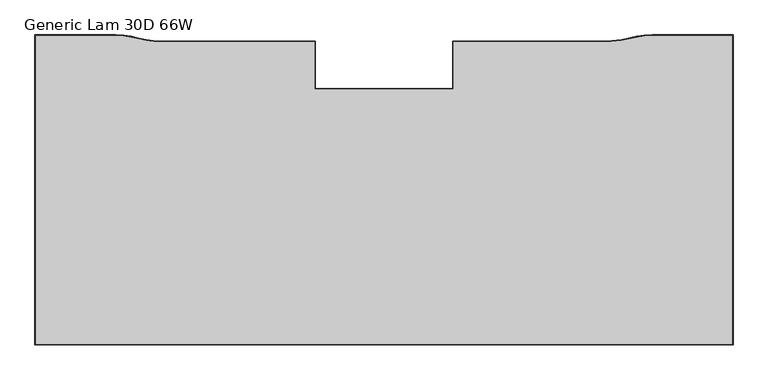
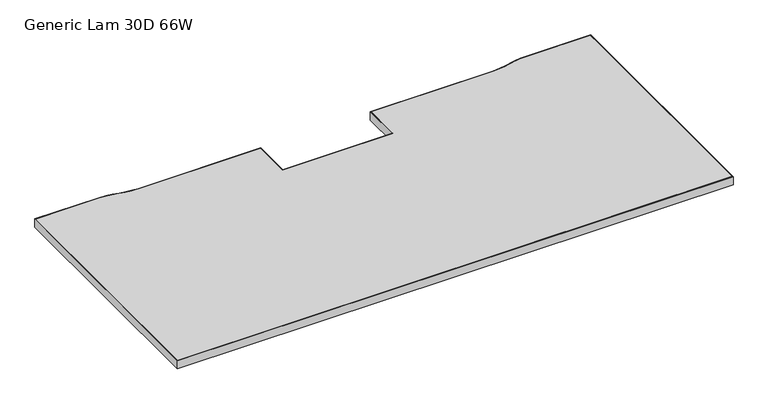
"""IFC4 building model written with IfcOpenShell, lengths in millimetres: furniture geometry, Generic Lam 30D 66W."""

from ifc_helpers import new_model, si_unit, frame, origin, place, context, project, spatial, polyline, outline, extrude, faceted_brep, source, transform, mapped, element, save


def generic_lam_30d_66w_8f7ad2f2(model_context):
    return source(origin(), model_context, "Body", "SolidModel", [
        extrude(outline(polyline([(670.1535937, -145.6435971), (1003.0460063, -145.6435971), (1003.0460063, -31.5975991), (1371.0555858, -31.5975991), (1407.0667599, -28.3288692), (1442.7386377, -20.0126083), (1461.0902792, -17.4446442), (1479.6007772, -16.5862005), (1671.7518029, -16.5862005), (1671.7518029, -757.2248121), (1.6002, -757.2248121), (1.6002, -16.5862005), (193.5988046, -16.5862005), (212.109339, -17.4446442), (230.4609804, -20.0126083), (248.4961805, -24.2680456), (266.1328583, -28.3288692), (284.0644309, -30.7787401), (302.1440323, -31.5975991), (670.1535937, -31.5975991), (670.1535937, -145.6435971)])), frame((0.0, 0.0, 697.23), z_axis=(0.0, 0.0, 1.0), x_axis=(1.0, 0.0, 0.0)), (0.0, 0.0, 1.0), 26.67),
        faceted_brep([(1479.6007772, -14.9842806, 723.9), (1479.6007772, -14.9842806, 697.23), (1461.0161479, -15.8461622, 697.23), (1461.0161479, -15.8461622, 723.9), (1479.6007772, -16.5862005, 697.23), (1479.6007772, -16.5862005, 723.9), (1461.0902792, -17.4446442, 723.9), (1461.0902792, -17.4446442, 697.23), (1442.5168806, -18.4278485, 697.23), (1442.5168806, -18.4278485, 723.9), (1442.7386377, -20.0126083, 723.9), (1442.7386377, -20.0126083, 697.23), (1406.8115522, -26.7452557, 697.23), (1406.8115522, -26.7452557, 723.9), (1407.0667599, -28.3288692, 723.9), (1407.0667599, -28.3288692, 697.23), (1370.9109306, -30.0039508, 697.23), (1370.9109306, -30.0039508, 723.9), (1371.0555858, -31.5975991, 723.9), (1371.0555858, -31.5975991, 697.23), (1001.4458063, -29.9973991, 697.23), (1001.4458063, -29.9973991, 723.9), (1003.0460063, -31.5975991, 723.9), (1003.0460063, -31.5975991, 697.23), (1001.4458063, -144.0433971, 697.23), (1001.4458063, -144.0433971, 723.9), (1003.0460063, -145.6435971, 723.9), (1003.0460063, -145.6435971, 697.23), (671.7537937, -144.0433971, 697.23), (671.7537937, -144.0433971, 723.9), (670.1535937, -145.6435971, 723.9), (670.1535937, -145.6435971, 697.23), (671.7537937, -29.9973991, 697.23), (671.7537937, -29.9973991, 723.9), (670.1535937, -31.5975991, 723.9), (670.1535937, -31.5975991, 697.23), (302.1440323, -29.9973991, 697.23), (302.1440323, -29.9973991, 723.9), (302.1440323, -31.5975991, 723.9), (302.1440323, -31.5975991, 697.23), (284.1368328, -29.1801789, 697.23), (284.1368328, -29.1801789, 723.9), (284.0644309, -30.7787401, 723.9), (284.0644309, -30.7787401, 697.23), (266.3494707, -26.7433979, 697.23), (266.3494707, -26.7433979, 723.9), (266.1328583, -28.3288692, 723.9), (266.1328583, -28.3288692, 697.23), (248.8552301, -22.7086472, 697.23), (248.8552301, -22.7086472, 723.9), (248.4961805, -24.2680456, 723.9), (248.4961805, -24.2680456, 697.23), (230.8284596, -18.4551748, 697.23), (230.8284596, -18.4551748, 723.9), (230.4609804, -20.0126083, 723.9), (230.4609804, -20.0126083, 697.23), (212.3310961, -15.8598843, 697.23), (212.3310961, -15.8598843, 723.9), (212.109339, -17.4446442, 723.9), (212.109339, -17.4446442, 697.23), (193.6729357, -14.9877185, 697.23), (193.6729357, -14.9877185, 723.9), (193.5988046, -16.5862005, 723.9), (193.5988046, -16.5862005, 697.23), (0.0, -14.9860005, 697.23), (0.0, -14.9860005, 723.9), (1.6002, -16.5862005, 723.9), (1.6002, -16.5862005, 697.23), (0.0, -758.8250121, 697.23), (0.0, -758.8250121, 723.9), (1.6002, -757.2248121, 723.9), (1.6002, -757.2248121, 697.23), (1673.3520029, -758.8250121, 697.23), (1673.3520029, -758.8250121, 723.9), (1671.7518029, -757.2248121, 723.9), (1671.7518029, -757.2248121, 697.23), (1673.3520029, -14.9860005, 697.23), (1673.3520029, -14.9860005, 723.9), (1671.7518029, -16.5862005, 723.9), (1671.7518029, -16.5862005, 697.23)], [[[0, 1, 2, 3]], [[4, 5, 6, 7]], [[3, 2, 8, 9]], [[7, 6, 10, 11]], [[9, 8, 12, 13]], [[11, 10, 14, 15]], [[13, 12, 16, 17]], [[15, 14, 18, 19]], [[17, 16, 20, 21]], [[19, 18, 22, 23]], [[21, 20, 24, 25]], [[23, 22, 26, 27]], [[25, 24, 28, 29]], [[27, 26, 30, 31]], [[29, 28, 32, 33]], [[31, 30, 34, 35]], [[33, 32, 36, 37]], [[35, 34, 38, 39]], [[37, 36, 40, 41]], [[39, 38, 42, 43]], [[41, 40, 44, 45]], [[43, 42, 46, 47]], [[45, 44, 48, 49]], [[47, 46, 50, 51]], [[49, 48, 52, 53]], [[51, 50, 54, 55]], [[53, 52, 56, 57]], [[55, 54, 58, 59]], [[57, 56, 60, 61]], [[59, 58, 62, 63]], [[61, 60, 64, 65]], [[63, 62, 66, 67]], [[65, 64, 68, 69]], [[67, 66, 70, 71]], [[69, 68, 72, 73]], [[71, 70, 74, 75]], [[73, 72, 76, 77]], [[75, 74, 78, 79]], [[1, 76, 72, 68, 64, 60, 56, 52, 48, 44, 40, 36, 32, 28, 24, 20, 16, 12, 8, 2], [71, 75, 79, 4, 7, 11, 15, 19, 23, 27, 31, 35, 39, 43, 47, 51, 55, 59, 63, 67]], [[77, 76, 1, 0]], [[69, 73, 77, 0, 3, 9, 13, 17, 21, 25, 29, 33, 37, 41, 45, 49, 53, 57, 61, 65], [5, 78, 74, 70, 66, 62, 58, 54, 50, 46, 42, 38, 34, 30, 26, 22, 18, 14, 10, 6]], [[79, 78, 5, 4]]]),
    ])


if __name__ == "__main__":
    model = new_model("IFC4")
    model_context = context("Model", 3, world=origin())
    ifc_project = project(units=[si_unit("LENGTHUNIT", "METRE", prefix="MILLI")], contexts=[model_context])
    site = spatial("IfcSite", under=ifc_project)
    building = spatial("IfcBuilding", under=site)
    placement = place(None, origin())
    generic_lam_30d_66w_shape = generic_lam_30d_66w_8f7ad2f2(model_context)
    element("IfcFurniture", 1, ObjectType="Generic Lam 30D 66W", at=placement, inside=building, context=model_context, shape_type="MappedRepresentation", body=[
        mapped(generic_lam_30d_66w_shape, transform((0.0, 0.0, 0.0), x_axis=(1.0, 0.0, 0.0), y_axis=(0.0, 1.0, 0.0), z_axis=(0.0, 0.0, 1.0))),
    ])
    save(model, "model.ifc")
